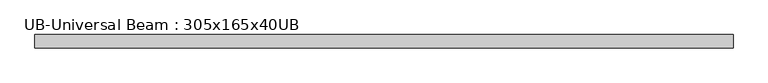
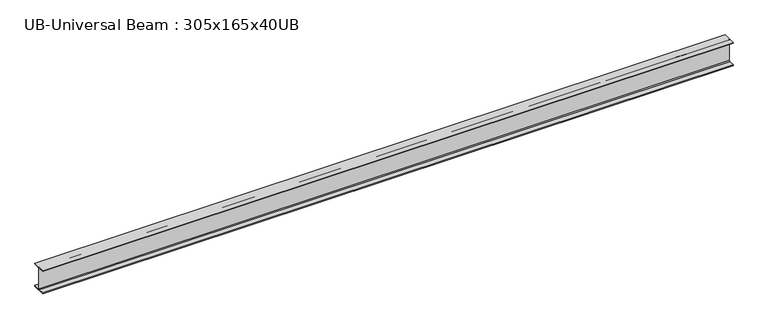
"""IFC4 building model written with IfcOpenShell, lengths in millimetres: beam geometry, UB-Universal Beam : 305x165x40UB."""

from ifc_helpers import new_model, si_unit, point, frame, frame_2d, origin, place, context, project, spatial, polyline, circle_curve, trimmed, segment, composite_curve, outline, extrude, source, transform, mapped, element, save


def ub_universal_beam_305x165x40ub_00ec796d(model_context):
    return source(origin(), model_context, "Body", "SweptSolid", [
        extrude(outline(composite_curve([segment(polyline([(82.5, -141.5), (82.5, -151.7), (-82.5, -151.7), (-82.5, -141.5), (-11.9, -141.5)]), True, "CONTINUOUS"), segment(trimmed(circle_curve(frame_2d((-11.9, -132.6)), 8.9), [point((-11.9, -141.5))], [point((-3.0, -132.6))], True, "CARTESIAN"), True, "CONTINUOUS"), segment(polyline([(-3.0, -132.6), (-3.0, 132.6)]), True, "CONTINUOUS"), segment(trimmed(circle_curve(frame_2d((-11.9, 132.6)), 8.9), [point((-3.0, 132.6))], [point((-11.9, 141.5))], True, "CARTESIAN"), True, "CONTINUOUS"), segment(polyline([(-11.9, 141.5), (-82.5, 141.5), (-82.5, 151.7), (82.5, 151.7), (82.5, 141.5), (11.9, 141.5)]), True, "CONTINUOUS"), segment(trimmed(circle_curve(frame_2d((11.9, 132.6)), 8.9), [point((11.9, 141.5))], [point((3.0, 132.6))], True, "CARTESIAN"), True, "CONTINUOUS"), segment(polyline([(3.0, 132.6), (3.0, -132.6)]), True, "CONTINUOUS"), segment(trimmed(circle_curve(frame_2d((11.9, -132.6)), 8.9), [point((3.0, -132.6))], [point((11.9, -141.5))], True, "CARTESIAN"), True, "CONTINUOUS"), segment(polyline([(11.9, -141.5), (82.5, -141.5)]), True, "CONTINUOUS")], self_intersect=False)), frame((-4299.1224585, 0.0, 0.0), z_axis=(1.0, 0.0, 0.0), x_axis=(0.0, 1.0, 0.0)), (0.0, 0.0, 1.0), 8590.6963044),
    ])


if __name__ == "__main__":
    model = new_model("IFC4")
    model_context = context("Model", 3, world=origin())
    ifc_project = project(units=[si_unit("LENGTHUNIT", "METRE", prefix="MILLI")], contexts=[model_context])
    site = spatial("IfcSite", under=ifc_project)
    building = spatial("IfcBuilding", under=site)
    placement = place(None, origin())
    ub_universal_beam_305x165x40ub_shape = ub_universal_beam_305x165x40ub_00ec796d(model_context)
    element("IfcBeam", 1, ObjectType="UB-Universal Beam : 305x165x40UB", at=placement, inside=building, context=model_context, shape_type="MappedRepresentation", body=[
        mapped(ub_universal_beam_305x165x40ub_shape, transform((0.0, 0.0, 0.0), x_axis=(1.0, 0.0, 0.0), y_axis=(0.0, 1.0, 0.0), z_axis=(0.0, 0.0, 1.0))),
    ])
    save(model, "model.ifc")
